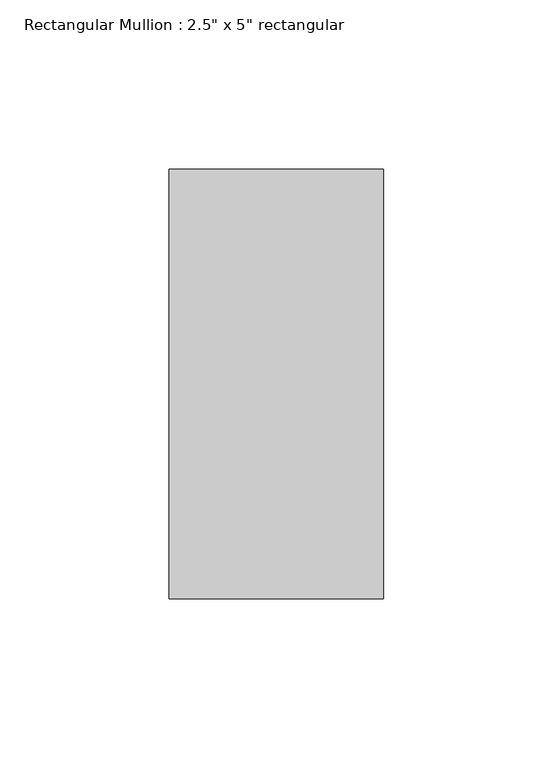
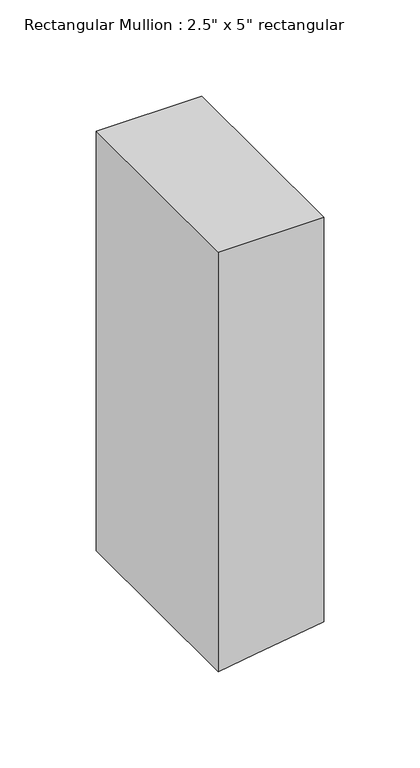
"""IFC4 building model written with IfcOpenShell, lengths in millimetres: member geometry."""

from ifc_helpers import new_model, si_unit, frame, origin, place, context, project, spatial, polyline, outline, extrude, source, transform, mapped, element, save


def member_858e4952(model_context):
    return source(origin(), model_context, "Body", "SweptSolid", [
        extrude(outline(polyline([(0.0, 31.75), (0.0, -31.75), (-266.7783106, -31.75), (-263.2125027, -9.7065686), (-257.0935553, 31.75), (0.0, 31.75)])), frame((0.0, -63.5, 0.0), z_axis=(0.0, 1.0, 0.0), x_axis=(0.0, 0.0, 1.0)), (0.0, 0.0, 1.0), 127.0),
    ])


if __name__ == "__main__":
    model = new_model("IFC4")
    model_context = context("Model", 3, world=origin())
    ifc_project = project(units=[si_unit("LENGTHUNIT", "METRE", prefix="MILLI")], contexts=[model_context])
    site = spatial("IfcSite", under=ifc_project)
    building = spatial("IfcBuilding", under=site)
    placement = place(None, origin())
    member_shape = member_858e4952(model_context)
    element("IfcMember", 1, ObjectType="Rectangular Mullion : 2.5\" x 5\" rectangular", at=placement, inside=building, context=model_context, shape_type="MappedRepresentation", body=[
        mapped(member_shape, transform((0.0, 0.0, 0.0), x_axis=(1.0, 0.0, 0.0), y_axis=(0.0, 1.0, 0.0), z_axis=(0.0, 0.0, 1.0))),
    ])
    save(model, "model.ifc")
